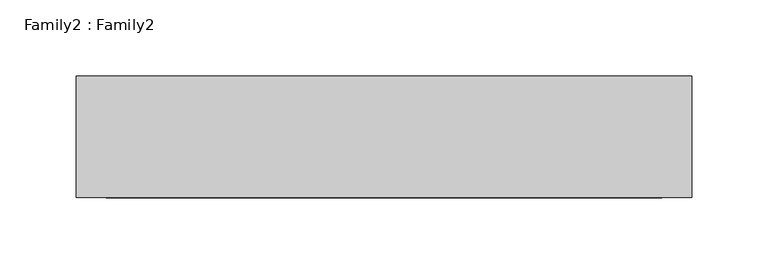
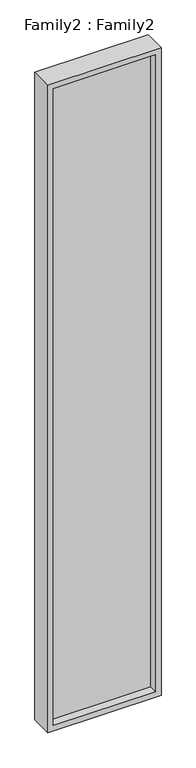
"""IFC4 building model written with IfcOpenShell, lengths in millimetres: plate geometry, Family2 : Family2."""

from ifc_helpers import new_model, si_unit, frame, origin, place, context, project, spatial, polyline, outline, extrude, source, transform, mapped, element, save


def family2_family2_ed6caded(model_context):
    return source(origin(), model_context, "Body", "SweptSolid", [
        extrude(outline(polyline([(2450.0, -202.5), (0.0, -202.5), (0.0, 202.5), (2450.0, 202.5), (2450.0, -202.5)]), holes=[polyline([(20.0, -182.5), (2430.0, -182.5), (2430.0, 182.5), (20.0, 182.5), (20.0, -182.5)])]), frame((0.0, -40.0, 0.0), z_axis=(0.0, 1.0, 0.0), x_axis=(0.0, 0.0, 1.0)), (0.0, 0.0, 1.0), 80.0),
        extrude(outline(polyline([(182.5, -10.0), (-182.5, -10.0), (-182.5, 10.0), (182.5, 10.0), (182.5, -10.0)])), frame((0.0, 0.0, 20.0), z_axis=(0.0, 0.0, 1.0), x_axis=(1.0, 0.0, 0.0)), (0.0, 0.0, 1.0), 2410.0),
    ])


if __name__ == "__main__":
    model = new_model("IFC4")
    model_context = context("Model", 3, world=origin())
    ifc_project = project(units=[si_unit("LENGTHUNIT", "METRE", prefix="MILLI")], contexts=[model_context])
    site = spatial("IfcSite", under=ifc_project)
    building = spatial("IfcBuilding", under=site)
    placement = place(None, origin())
    family2_family2_shape = family2_family2_ed6caded(model_context)
    element("IfcPlate", 1, ObjectType="Family2 : Family2", at=placement, inside=building, context=model_context, shape_type="MappedRepresentation", body=[
        mapped(family2_family2_shape, transform((0.0, 0.0, 0.0), x_axis=(1.0, 0.0, 0.0), y_axis=(0.0, 1.0, 0.0), z_axis=(0.0, 0.0, 1.0))),
    ])
    save(model, "model.ifc")
